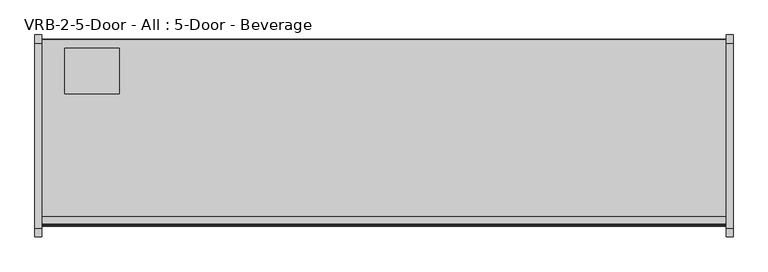
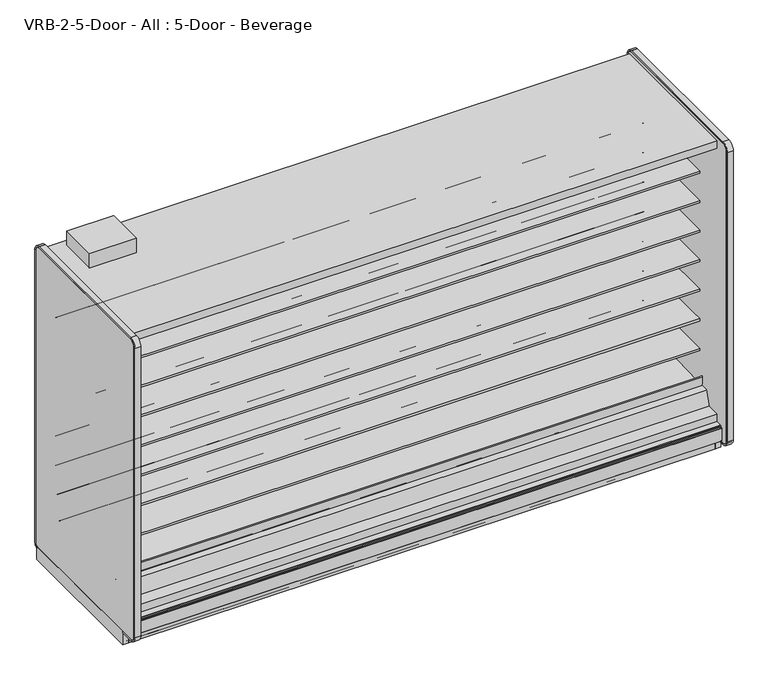
"""IFC4 building model written with IfcOpenShell, lengths in millimetres: proxy geometry, VRB-2-5-Door - All : 5-Door - Beverage."""

from ifc_helpers import new_model, si_unit, point, frame, frame_2d, origin, origin_with_axes, place, context, project, spatial, polyline, circle_curve, trimmed, segment, composite_curve, outline, extrude, source, transform, mapped, element, save
from ifc_brep_helpers import plane_surface, cylinder_surface, revolved_surface, advanced_brep


def vrb_2_5_door_all_5_door_beverage_307021d0(model_context):
    return source(origin(), model_context, "Body", "SolidModel", [
        extrude(outline(polyline([(3810.0, -1294.7870385), (3810.0, -1310.6620385), (0.0, -1310.6620385), (0.0, -1294.7870385), (3810.0, -1294.7870385)])), origin_with_axes(), (0.0, 0.0, 1.0), 104.775),
        extrude(outline(composite_curve([segment(polyline([(-454.6049477, 587.0133455), (-454.6049477, 512.2441036), (-474.1172272, 511.9123192)]), True, "CONTINUOUS"), segment(trimmed(circle_curve(frame_2d((-474.5490633, 537.308648)), 25.4), [point((-474.1172272, 511.9123192))], [point((-490.5264195, 517.5631653))], False, "CARTESIAN"), True, "CONTINUOUS"), segment(polyline([(-490.5264195, 517.5631653), (-508.3784807, 532.0084308)]), True, "CONTINUOUS"), segment(trimmed(circle_curve(frame_2d((-548.3218713, 482.6447241)), 63.5), [point((-508.3784807, 532.0084308))], [point((-540.4239901, 545.651656))], True, "CARTESIAN"), True, "CONTINUOUS"), segment(polyline([(-540.4239901, 545.651656), (-881.8726577, 569.3487934), (-883.3614342, 572.7893455), (-1140.4049477, 572.7893455), (-1140.4049477, 587.0133455), (-454.6049477, 587.0133455)]), True, "CONTINUOUS")], self_intersect=False)), frame((0.0, 0.0, 0.0), z_axis=(1.0, 0.0, 0.0), x_axis=(0.0, 1.0, 0.0)), (0.0, 0.0, 1.0), 3810.0),
        extrude(outline(composite_curve([segment(polyline([(-454.6049477, 790.2133624), (-454.6049477, 715.4441204), (-474.1172272, 715.112336)]), True, "CONTINUOUS"), segment(trimmed(circle_curve(frame_2d((-474.5490633, 740.5086648)), 25.4), [point((-474.1172272, 715.112336))], [point((-490.5264195, 720.7631821))], False, "CARTESIAN"), True, "CONTINUOUS"), segment(polyline([(-490.5264195, 720.7631821), (-508.3784807, 735.2084477)]), True, "CONTINUOUS"), segment(trimmed(circle_curve(frame_2d((-548.3218713, 685.8447409)), 63.5), [point((-508.3784807, 735.2084477))], [point((-540.4239901, 748.8516729))], True, "CARTESIAN"), True, "CONTINUOUS"), segment(polyline([(-540.4239901, 748.8516729), (-881.8726577, 772.5488103), (-883.3614342, 775.9893624), (-1140.4049477, 775.9893624), (-1140.4049477, 790.2133624), (-454.6049477, 790.2133624)]), True, "CONTINUOUS")], self_intersect=False)), frame((0.0, 0.0, 0.0), z_axis=(1.0, 0.0, 0.0), x_axis=(0.0, 1.0, 0.0)), (0.0, 0.0, 1.0), 3810.0),
        extrude(outline(composite_curve([segment(polyline([(-454.6049477, 993.4133793), (-454.6049477, 918.6441373), (-474.1172272, 918.3123529)]), True, "CONTINUOUS"), segment(trimmed(circle_curve(frame_2d((-474.5490633, 943.7086817)), 25.4), [point((-474.1172272, 918.3123529))], [point((-490.5264195, 923.963199))], False, "CARTESIAN"), True, "CONTINUOUS"), segment(polyline([(-490.5264195, 923.963199), (-508.3784807, 938.4084646)]), True, "CONTINUOUS"), segment(trimmed(circle_curve(frame_2d((-548.3218713, 889.0447578)), 63.5), [point((-508.3784807, 938.4084646))], [point((-540.4239901, 952.0516897))], True, "CARTESIAN"), True, "CONTINUOUS"), segment(polyline([(-540.4239901, 952.0516897), (-881.8726577, 975.7488272), (-883.3614342, 979.1893793), (-1140.4049477, 979.1893793), (-1140.4049477, 993.4133793), (-454.6049477, 993.4133793)]), True, "CONTINUOUS")], self_intersect=False)), frame((0.0, 0.0, 0.0), z_axis=(1.0, 0.0, 0.0), x_axis=(0.0, 1.0, 0.0)), (0.0, 0.0, 1.0), 3810.0),
        extrude(outline(composite_curve([segment(polyline([(-454.6049477, 1196.6133961), (-454.6049477, 1121.8441542), (-474.1172272, 1121.5123698)]), True, "CONTINUOUS"), segment(trimmed(circle_curve(frame_2d((-474.5490633, 1146.9086986)), 25.4), [point((-474.1172272, 1121.5123698))], [point((-490.5264195, 1127.1632159))], False, "CARTESIAN"), True, "CONTINUOUS"), segment(polyline([(-490.5264195, 1127.1632159), (-508.3784807, 1141.6084814)]), True, "CONTINUOUS"), segment(trimmed(circle_curve(frame_2d((-548.3218713, 1092.2447747)), 63.5), [point((-508.3784807, 1141.6084814))], [point((-540.4239901, 1155.2517066))], True, "CARTESIAN"), True, "CONTINUOUS"), segment(polyline([(-540.4239901, 1155.2517066), (-881.8726577, 1178.948844), (-883.3614342, 1182.3893961), (-1140.4049477, 1182.3893961), (-1140.4049477, 1196.6133961), (-454.6049477, 1196.6133961)]), True, "CONTINUOUS")], self_intersect=False)), frame((0.0, 0.0, 0.0), z_axis=(1.0, 0.0, 0.0), x_axis=(0.0, 1.0, 0.0)), (0.0, 0.0, 1.0), 3810.0),
        extrude(outline(composite_curve([segment(polyline([(-454.6049477, 1399.813413), (-454.6049477, 1325.044171), (-474.1172272, 1324.7123866)]), True, "CONTINUOUS"), segment(trimmed(circle_curve(frame_2d((-474.5490633, 1350.1087155)), 25.4), [point((-474.1172272, 1324.7123866))], [point((-490.5264195, 1330.3632328))], False, "CARTESIAN"), True, "CONTINUOUS"), segment(polyline([(-490.5264195, 1330.3632328), (-508.3784807, 1344.8084983)]), True, "CONTINUOUS"), segment(trimmed(circle_curve(frame_2d((-548.3218713, 1295.4447915)), 63.5), [point((-508.3784807, 1344.8084983))], [point((-540.4239901, 1358.4517235))], True, "CARTESIAN"), True, "CONTINUOUS"), segment(polyline([(-540.4239901, 1358.4517235), (-881.8726577, 1382.1488609), (-883.3614342, 1385.589413), (-1140.4049477, 1385.589413), (-1140.4049477, 1399.813413), (-454.6049477, 1399.813413)]), True, "CONTINUOUS")], self_intersect=False)), frame((0.0, 0.0, 0.0), z_axis=(1.0, 0.0, 0.0), x_axis=(0.0, 1.0, 0.0)), (0.0, 0.0, 1.0), 3810.0),
        extrude(outline(composite_curve([segment(polyline([(-454.6049477, 1603.0134299), (-454.6049477, 1528.2441879), (-474.1172272, 1527.9124035)]), True, "CONTINUOUS"), segment(trimmed(circle_curve(frame_2d((-474.5490633, 1553.3087323)), 25.4), [point((-474.1172272, 1527.9124035))], [point((-490.5264195, 1533.5632496))], False, "CARTESIAN"), True, "CONTINUOUS"), segment(polyline([(-490.5264195, 1533.5632496), (-508.3784807, 1548.0085152)]), True, "CONTINUOUS"), segment(trimmed(circle_curve(frame_2d((-548.3218713, 1498.6448084)), 63.5), [point((-508.3784807, 1548.0085152))], [point((-540.4239901, 1561.6517403))], True, "CARTESIAN"), True, "CONTINUOUS"), segment(polyline([(-540.4239901, 1561.6517403), (-881.8726577, 1585.3488778), (-883.3614342, 1588.7894299), (-1140.4049477, 1588.7894299), (-1140.4049477, 1603.0134299), (-454.6049477, 1603.0134299)]), True, "CONTINUOUS")], self_intersect=False)), frame((0.0, 0.0, 0.0), z_axis=(1.0, 0.0, 0.0), x_axis=(0.0, 1.0, 0.0)), (0.0, 0.0, 1.0), 3810.0),
        advanced_brep(
        [(3810.0, -348.8529385, 2.3876), (3810.0, -348.8529385, 104.775), (3810.0, -1148.1782385, 104.775), (3810.0, -1148.1782385, 24.892), (3810.0, -1148.1782385, 2.3876), (3810.0, -1145.7906385, 0.0), (3810.0, -1106.3866533, 0.0), (3810.0, -1106.3866533, 26.6446), (3810.0, -1091.8070533, 26.6446), (3810.0, -1085.4570533, 32.9946), (3810.0, -1085.4570533, 49.4411), (3810.0, -962.5804385, 49.4411), (3810.0, -941.6254385, 49.4411), (3810.0, -692.7054385, 49.4411), (3810.0, -671.7504385, 49.4411), (3810.0, -549.8304385, 49.4411), (3810.0, -528.8754385, 49.4411), (3810.0, -405.9988237, 49.4411), (3810.0, -405.9988237, 32.9946), (3810.0, -399.6488237, 26.6446), (3810.0, -385.8820237, 26.6446), (3810.0, -385.8820237, 0.0), (3810.0, -351.2405385, 0.0), (0.0, -348.8529385, 2.3876), (0.0, -351.2405385, 0.0), (0.0, -385.8820237, 0.0), (0.0, -385.8820237, 26.6446), (0.0, -399.6488237, 26.6446), (0.0, -405.9988237, 32.9946), (0.0, -405.9988237, 49.4411), (0.0, -528.8754385, 49.4411), (0.0, -549.8304385, 49.4581125), (0.0, -671.7504385, 49.4411), (0.0, -692.7054385, 49.4581125), (0.0, -941.6254385, 49.4411), (0.0, -962.5804385, 49.4581125), (0.0, -1085.4570533, 49.4411), (0.0, -1085.4570533, 32.9946), (0.0, -1091.8070533, 26.6446), (0.0, -1106.3866533, 26.6446), (0.0, -1106.3866533, 0.0), (0.0, -1145.7906385, 0.0), (0.0, -1148.1782385, 2.3876), (0.0, -1148.1782385, 24.892), (0.0, -1148.1782385, 104.775), (0.0, -348.8529385, 104.775)],
        [
            (0, 1),
            (1, 2),
            (2, 3),
            (3, 4),
            (4, 5, circle_curve(frame((3810.0, -1145.7906385, 2.3876), z_axis=(1.0, 0.0, 0.0), x_axis=(0.0, 1.0, 0.0)), 2.3876)),
            (5, 6),
            (6, 7),
            (7, 8),
            (8, 9, circle_curve(frame((3810.0, -1091.8070533, 32.9946), z_axis=(1.0, 0.0, 0.0), x_axis=(0.0, 1.0, 0.0)), 6.35)),
            (9, 10),
            (10, 11),
            (11, 12),
            (12, 13),
            (13, 14),
            (14, 15),
            (15, 16),
            (16, 17),
            (17, 18),
            (18, 19, circle_curve(frame((3810.0, -399.6488237, 32.9946), z_axis=(1.0, 0.0, 0.0), x_axis=(0.0, 1.0, 0.0)), 6.35)),
            (19, 20),
            (20, 21),
            (21, 22),
            (22, 0, circle_curve(frame((3810.0, -351.2405385, 2.3876), z_axis=(1.0, 0.0, 0.0), x_axis=(0.0, 1.0, 0.0)), 2.3876)),
            (23, 24, circle_curve(frame((0.0, -351.2405385, 2.3876), z_axis=(-1.0, 0.0, 0.0), x_axis=(0.0, 1.0, 0.0)), 2.3876)),
            (24, 25),
            (25, 26),
            (26, 27),
            (27, 28, circle_curve(frame((0.0, -399.6488237, 32.9946), z_axis=(-1.0, 0.0, 0.0), x_axis=(0.0, 1.0, 0.0)), 6.35)),
            (28, 29),
            (29, 30),
            (30, 31),
            (31, 32),
            (32, 33),
            (33, 34),
            (34, 35),
            (35, 36),
            (36, 37),
            (37, 38, circle_curve(frame((0.0, -1091.8070533, 32.9946), z_axis=(-1.0, 0.0, 0.0), x_axis=(0.0, 1.0, 0.0)), 6.35)),
            (38, 39),
            (39, 40),
            (40, 41),
            (41, 42, circle_curve(frame((0.0, -1145.7906385, 2.3876), z_axis=(-1.0, 0.0, 0.0), x_axis=(0.0, 1.0, 0.0)), 2.3876)),
            (42, 43),
            (43, 44),
            (44, 45),
            (45, 23),
            (0, 23),
            (45, 1),
            (44, 2),
            (43, 3),
            (42, 4),
            (41, 5),
            (40, 6),
            (39, 7),
            (38, 8),
            (37, 9),
            (36, 10),
            (35, 11),
            (34, 12),
            (33, 13),
            (32, 14),
            (31, 15),
            (30, 16),
            (29, 17),
            (28, 18),
            (27, 19),
            (26, 20),
            (25, 21),
            (24, 22),
        ],
        [
            plane_surface(frame((3810.0, -348.8529385, 104.775), z_axis=(1.0, 0.0, 0.0), x_axis=(0.0, 0.0, 1.0))),
            plane_surface(frame((0.0, -348.8529385, 104.775), z_axis=(-1.0, 0.0, 0.0), x_axis=(0.0, 0.0, -1.0))),
            plane_surface(frame((3810.0, -348.8529385, 2.3876), z_axis=(0.0, 1.0, 0.0), x_axis=(-1.0, 0.0, 0.0))),
            plane_surface(frame((3810.0, -348.8529385, 104.775), z_axis=(0.0, 0.0, 1.0), x_axis=(-1.0, 0.0, 0.0))),
            plane_surface(frame((3810.0, -1148.1782385, 104.775), z_axis=(0.0, -1.0, 0.0), x_axis=(-1.0, 0.0, 0.0))),
            plane_surface(frame((3810.0, -1148.1782385, 24.892), z_axis=(0.0, -1.0, 0.0), x_axis=(-1.0, 0.0, 0.0))),
            cylinder_surface(frame((0.0, -1145.7906385, 2.3876), z_axis=(1.0, 0.0, 0.0), x_axis=(0.0, 1.0, 0.0)), 2.3876),
            plane_surface(frame((3810.0, -1145.7906385, 0.0), z_axis=(0.0, 0.0, -1.0), x_axis=(-1.0, 0.0, 0.0))),
            plane_surface(frame((3810.0, -1106.3866533, 0.0), z_axis=(0.0, 1.0, 0.0), x_axis=(-1.0, 0.0, 0.0))),
            plane_surface(frame((3810.0, -1106.3866533, 26.6446), z_axis=(0.0, 0.0, -1.0), x_axis=(-1.0, 0.0, 0.0))),
            cylinder_surface(frame((0.0, -1091.8070533, 32.9946), z_axis=(1.0, 0.0, 0.0), x_axis=(0.0, 1.0, 0.0)), 6.35),
            plane_surface(frame((3810.0, -1085.4570533, 32.9946), z_axis=(0.0, 1.0, 0.0), x_axis=(-1.0, 0.0, 0.0))),
            plane_surface(frame((3810.0, -1085.4570533, 49.4411), z_axis=(0.0, 0.0, -1.0), x_axis=(-1.0, 0.0, 0.0))),
            plane_surface(frame((3810.0, -962.5804385, 49.4581125), z_axis=(0.0, -0.0008118606294216209, -0.9999996704411049), x_axis=(-1.0, 0.0, 0.0))),
            plane_surface(frame((3810.0, -941.6254385, 49.4411), z_axis=(0.0, 0.0, -1.0), x_axis=(-1.0, 0.0, 0.0))),
            plane_surface(frame((3810.0, -692.7054385, 49.4581125), z_axis=(0.0, -0.0008118606294217887, -0.9999996704411049), x_axis=(-1.0, 0.0, 0.0))),
            plane_surface(frame((3810.0, -671.7504385, 49.4411), z_axis=(0.0, 0.0, -1.0), x_axis=(-1.0, 0.0, 0.0))),
            plane_surface(frame((3810.0, -549.8304385, 49.4581125), z_axis=(0.0, -0.0008118606294217887, -0.9999996704411049), x_axis=(-1.0, 0.0, 0.0))),
            plane_surface(frame((3810.0, -528.8754385, 49.4411), z_axis=(0.0, 0.0, -1.0), x_axis=(-1.0, 0.0, 0.0))),
            plane_surface(frame((3810.0, -405.9988237, 49.4411), z_axis=(0.0, -1.0, 0.0), x_axis=(-1.0, 0.0, 0.0))),
            cylinder_surface(frame((0.0, -399.6488237, 32.9946), z_axis=(1.0, 0.0, 0.0), x_axis=(0.0, 1.0, 0.0)), 6.35),
            plane_surface(frame((3810.0, -399.6488237, 26.6446), z_axis=(0.0, 0.0, -1.0), x_axis=(-1.0, 0.0, 0.0))),
            plane_surface(frame((3810.0, -385.8820237, 26.6446), z_axis=(0.0, -1.0, 0.0), x_axis=(-1.0, 0.0, 0.0))),
            plane_surface(frame((3810.0, -385.8820237, 0.0), z_axis=(0.0, 0.0, -1.0), x_axis=(-1.0, 0.0, 0.0))),
            cylinder_surface(frame((0.0, -351.2405385, 2.3876), z_axis=(1.0, 0.0, 0.0), x_axis=(0.0, 1.0, 0.0)), 2.3876),
        ],
        [
            (0, [[1, 2, 3, 4, 5, 6, 7, 8, 9, 10, 11, 12, 13, 14, 15, 16, 17, 18, 19, 20, 21, 22, 23]]),
            (1, [[24, 25, 26, 27, 28, 29, 30, 31, 32, 33, 34, 35, 36, 37, 38, 39, 40, 41, 42, 43, 44, 45, 46]]),
            (2, [[-1, 47, -46, 48]]),
            (3, [[-2, -48, -45, 49]]),
            (4, [[-3, -49, -44, 50]]),
            (5, [[-4, -50, -43, 51]]),
            (6, [[-5, -51, -42, 52]]),
            (7, [[-6, -52, -41, 53]]),
            (8, [[-7, -53, -40, 54]]),
            (9, [[-8, -54, -39, 55]]),
            (10, [[-9, -55, -38, 56]]),
            (11, [[-10, -56, -37, 57]]),
            (12, [[-11, -57, -36, 58]]),
            (13, [[-12, -58, -35, 59]]),
            (14, [[-13, -59, -34, 60]]),
            (15, [[-14, -60, -33, 61]]),
            (16, [[-15, -61, -32, 62]]),
            (17, [[-16, -62, -31, 63]]),
            (18, [[-17, -63, -30, 64]]),
            (19, [[-18, -64, -29, 65]]),
            (20, [[-19, -65, -28, 66]]),
            (21, [[-20, -66, -27, 67]]),
            (22, [[-21, -67, -26, 68]]),
            (23, [[-22, -68, -25, 69]]),
            (24, [[-23, -69, -24, -47]]),
        ],
    ),
        extrude(outline(composite_curve([segment(polyline([(-454.6049477, 1806.2134975), (-454.6049477, 1731.4442556), (-474.1172272, 1731.1124712)]), True, "CONTINUOUS"), segment(trimmed(circle_curve(frame_2d((-474.5490633, 1756.5088)), 25.4), [point((-474.1172272, 1731.1124712))], [point((-490.5264195, 1736.7633173))], False, "CARTESIAN"), True, "CONTINUOUS"), segment(polyline([(-490.5264195, 1736.7633173), (-508.3784807, 1751.2085828)]), True, "CONTINUOUS"), segment(trimmed(circle_curve(frame_2d((-548.3218713, 1701.8448761)), 63.5), [point((-508.3784807, 1751.2085828))], [point((-540.4239901, 1764.851808))], True, "CARTESIAN"), True, "CONTINUOUS"), segment(polyline([(-540.4239901, 1764.851808), (-881.8726577, 1788.5489454), (-883.3614342, 1791.9894975), (-1140.4049477, 1791.9894975), (-1140.4049477, 1806.2134975), (-454.6049477, 1806.2134975)]), True, "CONTINUOUS")], self_intersect=False)), frame((0.0, 0.0, 0.0), z_axis=(1.0, 0.0, 0.0), x_axis=(0.0, 1.0, 0.0)), (0.0, 0.0, 1.0), 3810.0),
        advanced_brep(
        [(3810.0, -348.8529385, 104.775), (3810.0, -348.8529385, 2130.425), (3810.0, -1332.4576552, 2130.425), (3810.0, -1332.4576552, 2080.6916932), (3810.0, -403.803446, 2080.6916932), (3810.0, -403.803446, 192.3002762), (3810.0, -1241.5918606, 158.2443144), (3810.0, -1332.4576552, 168.8736205), (3810.0, -1332.4576552, 201.2766923), (3810.0, -1373.5961083, 201.2766923), (3810.0, -1376.2595244, 197.8095897), (3810.0, -1376.2595244, 188.9614574), (3810.0, -1385.0649885, 188.9614574), (3810.0, -1386.6397885, 187.3866574), (3810.0, -1386.6397885, 185.7356574), (3810.0, -1387.5033885, 185.7356574), (3810.0, -1387.5033885, 101.7483517), (3810.0, -1384.3560744, 101.0506089), (3810.0, -1382.6193623, 104.775), (0.0, -348.8529385, 104.775), (0.0, -1382.6193623, 104.775), (0.0, -1384.3560744, 101.0506089), (0.0, -1387.5033885, 101.7483517), (0.0, -1387.5033885, 185.7356574), (0.0, -1386.6397885, 185.7356574), (0.0, -1386.6397885, 187.3866574), (0.0, -1385.0649885, 188.9614574), (0.0, -1376.2595244, 188.9614574), (0.0, -1376.2595244, 197.8095897), (0.0, -1373.5961083, 201.2766923), (0.0, -1332.4576552, 201.2766923), (0.0, -1332.4576552, 168.8736205), (0.0, -1241.5918606, 158.2443144), (0.0, -403.803446, 192.3002762), (0.0, -403.803446, 2080.6916932), (0.0, -1332.4576552, 2080.6916932), (0.0, -1332.4576552, 2130.425), (0.0, -348.8529385, 2130.425), (3708.4, -348.8529385, 184.15), (3708.4, -348.8529385, 285.75), (3708.4, -399.3710689, 184.15), (3708.4, -399.3710689, 285.75)],
        [
            (0, 1),
            (1, 2),
            (2, 3),
            (3, 4),
            (4, 5),
            (5, 6),
            (6, 7),
            (7, 8),
            (8, 9),
            (9, 10, circle_curve(frame((3810.0, -1372.1757389, 197.4290047), z_axis=(1.0, 0.0, 0.0), x_axis=(0.0, 1.0, 0.0)), 4.1014814)),
            (10, 11),
            (11, 12),
            (12, 13, circle_curve(frame((3810.0, -1385.0649885, 187.3866574), z_axis=(1.0, 0.0, 0.0), x_axis=(0.0, 1.0, 0.0)), 1.5748)),
            (13, 14),
            (14, 15),
            (15, 16),
            (16, 17, circle_curve(frame((3810.0, -1385.8523885, 101.7483517), z_axis=(1.0, 0.0, 0.0), x_axis=(0.0, 1.0, 0.0)), 1.651)),
            (17, 18),
            (18, 0),
            (19, 20),
            (20, 21),
            (21, 22, circle_curve(frame((0.0, -1385.8523885, 101.7483517), z_axis=(-1.0, 0.0, 0.0), x_axis=(0.0, 1.0, 0.0)), 1.651)),
            (22, 23),
            (23, 24),
            (24, 25),
            (25, 26, circle_curve(frame((0.0, -1385.0649885, 187.3866574), z_axis=(-1.0, 0.0, 0.0), x_axis=(0.0, 1.0, 0.0)), 1.5748)),
            (26, 27),
            (27, 28),
            (28, 29, circle_curve(frame((0.0, -1372.1757389, 197.4290047), z_axis=(-1.0, 0.0, 0.0), x_axis=(0.0, 1.0, 0.0)), 4.1014814)),
            (29, 30),
            (30, 31),
            (31, 32),
            (32, 33),
            (33, 34),
            (34, 35),
            (35, 36),
            (36, 37),
            (37, 19),
            (0, 19),
            (37, 1),
            (38, 39, circle_curve(frame((3708.4, -348.8529385, 234.95), z_axis=(0.0, -1.0, 0.0), x_axis=(0.0, 0.0, 1.0)), 50.8)),
            (39, 38, circle_curve(frame((3708.4, -348.8529385, 234.95), z_axis=(0.0, -1.0, 0.0), x_axis=(0.0, 0.0, 1.0)), 50.8)),
            (18, 20),
            (36, 2),
            (35, 3),
            (34, 4),
            (33, 5),
            (32, 6),
            (31, 7),
            (30, 8),
            (29, 9),
            (28, 10),
            (27, 11),
            (26, 12),
            (25, 13),
            (24, 14),
            (23, 15),
            (22, 16),
            (21, 17),
            (40, 41, circle_curve(frame((3708.4, -399.3710689, 234.95), z_axis=(0.0, 1.0, 0.0), x_axis=(0.0, 0.0, 1.0)), 50.8)),
            (41, 40, circle_curve(frame((3708.4, -399.3710689, 234.95), z_axis=(0.0, 1.0, 0.0), x_axis=(0.0, 0.0, 1.0)), 50.8)),
            (41, 39),
            (38, 40),
        ],
        [
            plane_surface(frame((3810.0, -348.8529385, 2130.425), z_axis=(1.0, 0.0, 0.0), x_axis=(0.0, 0.0, 1.0))),
            plane_surface(frame((0.0, -348.8529385, 2130.425), z_axis=(-1.0, 0.0, 0.0), x_axis=(0.0, 0.0, -1.0))),
            plane_surface(frame((3810.0, -348.8529385, 104.775), z_axis=(0.0, 1.0, 0.0), x_axis=(-1.0, 0.0, 0.0))),
            plane_surface(frame((3810.0, -1382.6193623, 104.775), z_axis=(0.0, 0.0, -1.0), x_axis=(-1.0, 0.0, 0.0))),
            plane_surface(frame((3810.0, -348.8529385, 2130.425), z_axis=(0.0, 0.0, 1.0), x_axis=(-1.0, 0.0, 0.0))),
            plane_surface(frame((3810.0, -1332.4576552, 2130.425), z_axis=(0.0, -1.0, 0.0), x_axis=(-1.0, 0.0, 0.0))),
            plane_surface(frame((3810.0, -1332.4576552, 2080.6916932), z_axis=(0.0, 0.0, -1.0), x_axis=(-1.0, 0.0, 0.0))),
            plane_surface(frame((3810.0, -403.803446, 2080.6916932), z_axis=(0.0, -1.0, 0.0), x_axis=(-1.0, 0.0, 0.0))),
            plane_surface(frame((3810.0, -403.803446, 192.3002762), z_axis=(0.0, -0.04061629258568473, 0.9991748179255691), x_axis=(-1.0, 0.0, 0.0))),
            plane_surface(frame((3810.0, -1241.5918606, 158.2443144), z_axis=(0.0, 0.11618584341211871, 0.9932274914593407), x_axis=(-1.0, 0.0, 0.0))),
            plane_surface(frame((3810.0, -1332.4576552, 168.8736205), z_axis=(0.0, 1.0, 0.0), x_axis=(-1.0, 0.0, 0.0))),
            plane_surface(frame((3810.0, -1332.4576552, 201.2766923), z_axis=(0.0, 0.0, 1.0), x_axis=(-1.0, 0.0, 0.0))),
            cylinder_surface(frame((0.0, -1372.1757389, 197.4290047), z_axis=(1.0, 0.0, 0.0), x_axis=(0.0, 1.0, 0.0)), 4.1014814),
            plane_surface(frame((3810.0, -1376.2595244, 197.8095897), z_axis=(0.0, -1.0, 0.0), x_axis=(-1.0, 0.0, 0.0))),
            plane_surface(frame((3810.0, -1376.2595244, 188.9614574), z_axis=(0.0, 0.0, 1.0), x_axis=(-1.0, 0.0, 0.0))),
            cylinder_surface(frame((0.0, -1385.0649885, 187.3866574), z_axis=(1.0, 0.0, 0.0), x_axis=(0.0, 1.0, 0.0)), 1.5748),
            plane_surface(frame((3810.0, -1386.6397885, 187.3866574), z_axis=(0.0, -1.0, 0.0), x_axis=(-1.0, 0.0, 0.0))),
            plane_surface(frame((3810.0, -1386.6397885, 185.7356574), z_axis=(0.0, 0.0, 1.0), x_axis=(-1.0, 0.0, 0.0))),
            plane_surface(frame((3810.0, -1387.5033885, 185.7356574), z_axis=(0.0, -1.0, 0.0), x_axis=(-1.0, 0.0, 0.0))),
            cylinder_surface(frame((0.0, -1385.8523885, 101.7483517), z_axis=(1.0, 0.0, 0.0), x_axis=(0.0, 1.0, 0.0)), 1.651),
            plane_surface(frame((3810.0, -1384.3560744, 101.0506089), z_axis=(0.0, 0.9063077870347213, -0.42261826174483563), x_axis=(-1.0, 0.0, 0.0))),
            plane_surface(frame((3708.4, -399.3710689, 285.75), z_axis=(0.0, 1.0, 0.0), x_axis=(-1.0, 0.0, 0.0))),
            revolved_surface(polyline([(3708.4, -399.3710689, 285.75), (3708.4, -348.8529385, 285.75)]), (3708.4, -348.8529385, 234.95), (0.0, -1.0, 0.0)),
        ],
        [
            (0, [[1, 2, 3, 4, 5, 6, 7, 8, 9, 10, 11, 12, 13, 14, 15, 16, 17, 18, 19]]),
            (1, [[20, 21, 22, 23, 24, 25, 26, 27, 28, 29, 30, 31, 32, 33, 34, 35, 36, 37, 38]]),
            (2, [[-1, 39, -38, 40], [41, 42]]),
            (3, [[-19, 43, -20, -39]]),
            (4, [[-2, -40, -37, 44]]),
            (5, [[-3, -44, -36, 45]]),
            (6, [[-4, -45, -35, 46]]),
            (7, [[-5, -46, -34, 47]]),
            (8, [[-6, -47, -33, 48]]),
            (9, [[-7, -48, -32, 49]]),
            (10, [[-8, -49, -31, 50]]),
            (11, [[-9, -50, -30, 51]]),
            (12, [[-10, -51, -29, 52]]),
            (13, [[-11, -52, -28, 53]]),
            (14, [[-12, -53, -27, 54]]),
            (15, [[-13, -54, -26, 55]]),
            (16, [[-14, -55, -25, 56]]),
            (17, [[-15, -56, -24, 57]]),
            (18, [[-16, -57, -23, 58]]),
            (19, [[-17, -58, -22, 59]]),
            (20, [[-18, -59, -21, -43]]),
            (21, [[60, 61]]),
            (22, [[-61, 62, -41, 63]]),
            (22, [[-60, -63, -42, -62]]),
        ],
    ),
        extrude(outline(composite_curve([segment(polyline([(-538.5117544, 357.6712667), (-1154.4031001, 336.1426369)]), True, "CONTINUOUS"), segment(trimmed(circle_curve(frame_2d((-1154.7855355, 347.0833549)), 10.9474), [point((-1154.4031001, 336.1426369))], [point((-1165.7262535, 346.7009195))], False, "CARTESIAN"), True, "CONTINUOUS"), segment(polyline([(-1165.7262535, 346.7009195), (-1167.8700214, 408.029863)]), True, "CONTINUOUS"), segment(trimmed(circle_curve(frame_2d((-1163.9861934, 408.1656231)), 3.8862), [point((-1167.8700214, 408.029863))], [point((-1160.1023655, 408.3013832))], False, "CARTESIAN"), True, "CONTINUOUS"), segment(polyline([(-1160.1023655, 408.3013832), (-1157.9585975, 346.9724398)]), True, "CONTINUOUS"), segment(trimmed(circle_curve(frame_2d((-1154.7855355, 347.0833549)), 3.175), [point((-1157.9585975, 346.9724398))], [point((-1154.6746203, 343.9102928))], True, "CARTESIAN"), True, "CONTINUOUS"), segment(polyline([(-1154.6746203, 343.9102928), (-531.7333421, 365.6853547)]), True, "CONTINUOUS"), segment(trimmed(circle_curve(frame_2d((-531.5939074, 361.7960469)), 3.8918064), [point((-531.7333421, 365.6853547))], [point((-531.1633305, 357.9281326))], False, "CARTESIAN"), True, "CONTINUOUS"), segment(polyline([(-531.1633305, 357.9281326), (-538.5117544, 357.6712667)]), True, "CONTINUOUS")], self_intersect=False)), frame((0.0, 0.0, 0.0), z_axis=(1.0, 0.0, 0.0), x_axis=(0.0, 1.0, 0.0)), (0.0, 0.0, 1.0), 3810.0),
        extrude(outline(polyline([(-403.803446, 191.9712577), (-1241.5918606, 158.2443144), (-1332.4576552, 168.8736205), (-1332.4576552, 252.8737805), (-1245.6201539, 252.8737805), (-1214.4845686, 346.8534577), (-1168.9799477, 348.4440826), (-1168.9799477, 335.7440826), (-526.1387503, 358.2147509), (-526.1387503, 370.9147509), (-467.1371555, 372.9771658), (-467.1371555, 377.4368561), (-454.6049477, 377.4368561), (-454.6049477, 268.1711844), (-403.803446, 268.1711844), (-403.803446, 191.9712577)])), frame((0.0, 0.0, 0.0), z_axis=(1.0, 0.0, 0.0), x_axis=(0.0, 1.0, 0.0)), (0.0, 0.0, 1.0), 3810.0),
        extrude(outline(polyline([(-403.803446, 268.1711844), (-454.6049477, 268.1711844), (-454.6049477, 2053.8368561), (-1209.6263466, 2053.8368561), (-1283.9191918, 2080.6916932), (-403.803446, 2080.6916932), (-403.803446, 268.1711844)])), frame((0.0, 0.0, 0.0), z_axis=(1.0, 0.0, 0.0), x_axis=(0.0, 1.0, 0.0)), (0.0, 0.0, 1.0), 3810.0),
        extrude(outline(composite_curve([segment(trimmed(circle_curve(frame_2d((1905.0, -1072.7529385)), 38.1), [point((1866.9, -1072.7529385))], [point((1943.1, -1072.7529385))], False, "CARTESIAN"), True, "CONTINUOUS"), segment(trimmed(circle_curve(frame_2d((1905.0, -1072.7529385)), 38.1), [point((1943.1, -1072.7529385))], [point((1866.9, -1072.7529385))], False, "CARTESIAN"), True, "CONTINUOUS")], self_intersect=False)), frame((0.0, 0.0, -5.8513653), z_axis=(0.0, 0.0, 1.0), x_axis=(1.0, 0.0, 0.0)), (0.0, 0.0, 1.0), 110.6263653),
        extrude(outline(composite_curve([segment(trimmed(circle_curve(frame_2d((3563.2604036, -1069.5779385)), 9.525), [point((3553.7354036, -1069.5779385))], [point((3572.7854036, -1069.5779385))], False, "CARTESIAN"), True, "CONTINUOUS"), segment(trimmed(circle_curve(frame_2d((3563.2604036, -1069.5779385)), 9.525), [point((3572.7854036, -1069.5779385))], [point((3553.7354036, -1069.5779385))], False, "CARTESIAN"), True, "CONTINUOUS")], self_intersect=False)), frame((0.0, 0.0, -5.8513653), z_axis=(0.0, 0.0, 1.0), x_axis=(1.0, 0.0, 0.0)), (0.0, 0.0, 1.0), 110.6263653),
        extrude(outline(composite_curve([segment(trimmed(circle_curve(frame_2d((3608.1868135, -1069.5779385)), 12.7), [point((3595.4868135, -1069.5779385))], [point((3620.8868135, -1069.5779385))], False, "CARTESIAN"), True, "CONTINUOUS"), segment(trimmed(circle_curve(frame_2d((3608.1868135, -1069.5779385)), 12.7), [point((3620.8868135, -1069.5779385))], [point((3595.4868135, -1069.5779385))], False, "CARTESIAN"), True, "CONTINUOUS")], self_intersect=False)), frame((0.0, 0.0, -5.8513653), z_axis=(0.0, 0.0, 1.0), x_axis=(1.0, 0.0, 0.0)), (0.0, 0.0, 1.0), 110.6263653),
        extrude(outline(polyline([(127.0, -650.8843385), (127.0, -396.8843385), (431.8, -396.8843385), (431.8, -650.8843385), (127.0, -650.8843385)])), frame((0.0, 0.0, 2130.425), z_axis=(0.0, 0.0, 1.0), x_axis=(1.0, 0.0, 0.0)), (0.0, 0.0, 1.0), 101.6),
        extrude(outline(polyline([(3810.0, -1310.6620385), (3810.0, -344.7571249), (3848.1, -344.7571249), (3848.1, -1310.6620385), (3810.0, -1310.6620385)])), origin_with_axes(), (0.0, 0.0, 1.0), 92.075),
        extrude(outline(composite_curve([segment(trimmed(circle_curve(frame_2d((-1399.7779385, 130.2020486)), 38.1), [point((-1437.8779385, 130.2020486))], [point((-1399.7779385, 92.1020486))], True, "CARTESIAN"), True, "CONTINUOUS"), segment(polyline([(-1399.7779385, 92.1020486), (-1310.6620385, 92.1020486), (-1310.6620385, 82.5770486), (-1399.7779385, 82.5770486)]), True, "CONTINUOUS"), segment(trimmed(circle_curve(frame_2d((-1399.7779385, 130.2020486)), 47.625), [point((-1399.7779385, 82.5770486))], [point((-1447.4029385, 130.2020486))], False, "CARTESIAN"), True, "CONTINUOUS"), segment(polyline([(-1447.4029385, 130.2020486), (-1447.4029385, 2117.725)]), True, "CONTINUOUS"), segment(trimmed(circle_curve(frame_2d((-1399.7779385, 2117.725)), 47.625), [point((-1447.4029385, 2117.725))], [point((-1399.7779385, 2165.35))], False, "CARTESIAN"), True, "CONTINUOUS"), segment(polyline([(-1399.7779385, 2165.35), (-370.7667333, 2165.35)]), True, "CONTINUOUS"), segment(trimmed(circle_curve(frame_2d((-370.7667333, 2117.725)), 47.625), [point((-370.7667333, 2165.35))], [point((-323.1417333, 2117.725))], False, "CARTESIAN"), True, "CONTINUOUS"), segment(polyline([(-323.1417333, 2117.725), (-323.1417333, 104.8020486)]), True, "CONTINUOUS"), segment(trimmed(circle_curve(frame_2d((-345.3667333, 104.8020486)), 22.225), [point((-323.1417333, 104.8020486))], [point((-345.3667333, 82.5770486))], False, "CARTESIAN"), True, "CONTINUOUS"), segment(polyline([(-345.3667333, 82.5770486), (-348.8529385, 82.5770486), (-348.8529385, 92.1020486), (-345.3667333, 92.1020486)]), True, "CONTINUOUS"), segment(trimmed(circle_curve(frame_2d((-345.3667333, 104.8020486)), 12.7), [point((-345.3667333, 92.1020486))], [point((-332.6667333, 104.8020486))], True, "CARTESIAN"), True, "CONTINUOUS"), segment(polyline([(-332.6667333, 104.8020486), (-332.6667333, 2117.725)]), True, "CONTINUOUS"), segment(trimmed(circle_curve(frame_2d((-370.7667333, 2117.725)), 38.1), [point((-332.6667333, 2117.725))], [point((-370.7667333, 2155.825))], True, "CARTESIAN"), True, "CONTINUOUS"), segment(polyline([(-370.7667333, 2155.825), (-1399.7779385, 2155.825)]), True, "CONTINUOUS"), segment(trimmed(circle_curve(frame_2d((-1399.7779385, 2117.725)), 38.1), [point((-1399.7779385, 2155.825))], [point((-1437.8779385, 2117.725))], True, "CARTESIAN"), True, "CONTINUOUS"), segment(polyline([(-1437.8779385, 2117.725), (-1437.8779385, 130.2020486)]), True, "CONTINUOUS")], self_intersect=False)), frame((3810.0, 0.0, 0.0), z_axis=(1.0, 0.0, 0.0), x_axis=(0.0, 1.0, 0.0)), (0.0, 0.0, 1.0), 38.1),
        extrude(outline(composite_curve([segment(trimmed(circle_curve(frame_2d((-1399.7779385, 130.2020486)), 38.1), [point((-1437.8779385, 130.2020486))], [point((-1399.7779385, 92.1020486))], True, "CARTESIAN"), True, "CONTINUOUS"), segment(polyline([(-1399.7779385, 92.1020486), (-1310.6620385, 92.1020486), (-1310.6620385, 82.5770486), (-1399.7779385, 82.5770486)]), True, "CONTINUOUS"), segment(trimmed(circle_curve(frame_2d((-1399.7779385, 130.2020486)), 47.625), [point((-1399.7779385, 82.5770486))], [point((-1447.4029385, 130.2020486))], False, "CARTESIAN"), True, "CONTINUOUS"), segment(polyline([(-1447.4029385, 130.2020486), (-1447.4029385, 2117.725)]), True, "CONTINUOUS"), segment(trimmed(circle_curve(frame_2d((-1399.7779385, 2117.725)), 47.625), [point((-1447.4029385, 2117.725))], [point((-1399.7779385, 2165.35))], False, "CARTESIAN"), True, "CONTINUOUS"), segment(polyline([(-1399.7779385, 2165.35), (-370.7667333, 2165.35)]), True, "CONTINUOUS"), segment(trimmed(circle_curve(frame_2d((-370.7667333, 2117.725)), 47.625), [point((-370.7667333, 2165.35))], [point((-323.1417333, 2117.725))], False, "CARTESIAN"), True, "CONTINUOUS"), segment(polyline([(-323.1417333, 2117.725), (-323.1417333, 104.8020486)]), True, "CONTINUOUS"), segment(trimmed(circle_curve(frame_2d((-345.3667333, 104.8020486)), 22.225), [point((-323.1417333, 104.8020486))], [point((-345.3667333, 82.5770486))], False, "CARTESIAN"), True, "CONTINUOUS"), segment(polyline([(-345.3667333, 82.5770486), (-348.8529385, 82.5770486), (-348.8529385, 92.1020486), (-345.3667333, 92.1020486)]), True, "CONTINUOUS"), segment(trimmed(circle_curve(frame_2d((-345.3667333, 104.8020486)), 12.7), [point((-345.3667333, 92.1020486))], [point((-332.6667333, 104.8020486))], True, "CARTESIAN"), True, "CONTINUOUS"), segment(polyline([(-332.6667333, 104.8020486), (-332.6667333, 2117.725)]), True, "CONTINUOUS"), segment(trimmed(circle_curve(frame_2d((-370.7667333, 2117.725)), 38.1), [point((-332.6667333, 2117.725))], [point((-370.7667333, 2155.825))], True, "CARTESIAN"), True, "CONTINUOUS"), segment(polyline([(-370.7667333, 2155.825), (-1399.7779385, 2155.825)]), True, "CONTINUOUS"), segment(trimmed(circle_curve(frame_2d((-1399.7779385, 2117.725)), 38.1), [point((-1399.7779385, 2155.825))], [point((-1437.8779385, 2117.725))], True, "CARTESIAN"), True, "CONTINUOUS"), segment(polyline([(-1437.8779385, 2117.725), (-1437.8779385, 130.2020486)]), True, "CONTINUOUS")], self_intersect=False)), frame((-38.1, 0.0, 0.0), z_axis=(1.0, 0.0, 0.0), x_axis=(0.0, 1.0, 0.0)), (0.0, 0.0, 1.0), 38.1),
        extrude(outline(polyline([(0.0, -344.7571249), (0.0, -1310.6620385), (-38.1, -1310.6620385), (-38.1, -344.7571249), (0.0, -344.7571249)])), origin_with_axes(), (0.0, 0.0, 1.0), 92.075),
        extrude(outline(composite_curve([segment(polyline([(-1399.7779385, 2155.825), (-370.7667333, 2155.825)]), True, "CONTINUOUS"), segment(trimmed(circle_curve(frame_2d((-370.7667333, 2117.725)), 38.1), [point((-370.7667333, 2155.825))], [point((-332.6667333, 2117.725))], False, "CARTESIAN"), True, "CONTINUOUS"), segment(polyline([(-332.6667333, 2117.725), (-332.6667333, 104.8020486)]), True, "CONTINUOUS"), segment(trimmed(circle_curve(frame_2d((-345.3667333, 104.8020486)), 12.7), [point((-332.6667333, 104.8020486))], [point((-345.3667333, 92.1020486))], False, "CARTESIAN"), True, "CONTINUOUS"), segment(polyline([(-345.3667333, 92.1020486), (-1399.7779385, 92.1020486)]), True, "CONTINUOUS"), segment(trimmed(circle_curve(frame_2d((-1399.7779385, 130.2020486)), 38.1), [point((-1399.7779385, 92.1020486))], [point((-1437.8779385, 130.2020486))], False, "CARTESIAN"), True, "CONTINUOUS"), segment(polyline([(-1437.8779385, 130.2020486), (-1437.8779385, 2117.725)]), True, "CONTINUOUS"), segment(trimmed(circle_curve(frame_2d((-1399.7779385, 2117.725)), 38.1), [point((-1437.8779385, 2117.725))], [point((-1399.7779385, 2155.825))], False, "CARTESIAN"), True, "CONTINUOUS")], self_intersect=False)), frame((3810.0, 0.0, 0.0), z_axis=(1.0, 0.0, 0.0), x_axis=(0.0, 1.0, 0.0)), (0.0, 0.0, 1.0), 38.1),
        extrude(outline(composite_curve([segment(polyline([(-1399.7779385, 2155.825), (-370.7667333, 2155.825)]), True, "CONTINUOUS"), segment(trimmed(circle_curve(frame_2d((-370.7667333, 2117.725)), 38.1), [point((-370.7667333, 2155.825))], [point((-332.6667333, 2117.725))], False, "CARTESIAN"), True, "CONTINUOUS"), segment(polyline([(-332.6667333, 2117.725), (-332.6667333, 104.8020486)]), True, "CONTINUOUS"), segment(trimmed(circle_curve(frame_2d((-345.3667333, 104.8020486)), 12.7), [point((-332.6667333, 104.8020486))], [point((-345.3667333, 92.1020486))], False, "CARTESIAN"), True, "CONTINUOUS"), segment(polyline([(-345.3667333, 92.1020486), (-1399.7779385, 92.1020486)]), True, "CONTINUOUS"), segment(trimmed(circle_curve(frame_2d((-1399.7779385, 130.2020486)), 38.1), [point((-1399.7779385, 92.1020486))], [point((-1437.8779385, 130.2020486))], False, "CARTESIAN"), True, "CONTINUOUS"), segment(polyline([(-1437.8779385, 130.2020486), (-1437.8779385, 2117.725)]), True, "CONTINUOUS"), segment(trimmed(circle_curve(frame_2d((-1399.7779385, 2117.725)), 38.1), [point((-1437.8779385, 2117.725))], [point((-1399.7779385, 2155.825))], False, "CARTESIAN"), True, "CONTINUOUS")], self_intersect=False)), frame((-38.1, 0.0, 0.0), z_axis=(1.0, 0.0, 0.0), x_axis=(0.0, 1.0, 0.0)), (0.0, 0.0, 1.0), 38.1),
        extrude(outline(composite_curve([segment(polyline([(-1294.7870385, 6.57225), (-1294.7870385, 104.775), (-1148.1782385, 104.775), (-1148.1782385, 30.0856668), (-1153.5258546, 30.0856668), (-1153.5258546, 1.51765), (-1289.7324385, 1.51765)]), True, "CONTINUOUS"), segment(trimmed(circle_curve(frame_2d((-1289.7324385, 6.57225)), 5.0546), [point((-1289.7324385, 1.51765))], [point((-1294.7870385, 6.57225))], False, "CARTESIAN"), True, "CONTINUOUS")], self_intersect=False)), frame((0.0, 0.0, 0.0), z_axis=(1.0, 0.0, 0.0), x_axis=(0.0, 1.0, 0.0)), (0.0, 0.0, 1.0), 3810.0),
        extrude(outline(composite_curve([segment(trimmed(circle_curve(frame_2d((-351.2405385, 5.1562)), 5.1562), [point((-346.0843385, 5.1562))], [point((-351.2405385, 0.0))], False, "CARTESIAN"), True, "CONTINUOUS"), segment(polyline([(-351.2405385, 0.0), (-385.7464574, 0.0)]), True, "CONTINUOUS"), segment(trimmed(circle_curve(frame_2d((-385.7464574, 5.1562)), 5.1562), [point((-385.7464574, 0.0))], [point((-390.9026574, 5.1562))], False, "CARTESIAN"), True, "CONTINUOUS"), segment(polyline([(-390.9026574, 5.1562), (-390.9026574, 24.9047), (-388.5404385, 24.9047), (-388.5404385, 5.1562)]), True, "CONTINUOUS"), segment(trimmed(circle_curve(frame_2d((-386.1528385, 5.1562)), 2.3876), [point((-388.5404385, 5.1562))], [point((-386.1528385, 2.7686))], True, "CARTESIAN"), True, "CONTINUOUS"), segment(polyline([(-386.1528385, 2.7686), (-351.2405385, 2.7686)]), True, "CONTINUOUS"), segment(trimmed(circle_curve(frame_2d((-351.2405385, 5.1562)), 2.3876), [point((-351.2405385, 2.7686))], [point((-348.8529385, 5.1562))], True, "CARTESIAN"), True, "CONTINUOUS"), segment(polyline([(-348.8529385, 5.1562), (-348.8529385, 24.892), (-346.0843385, 24.892), (-346.0843385, 5.1562)]), True, "CONTINUOUS")], self_intersect=False)), frame((0.0, 0.0, 0.0), z_axis=(1.0, 0.0, 0.0), x_axis=(0.0, 1.0, 0.0)), (0.0, 0.0, 1.0), 3810.0),
        extrude(outline(composite_curve([segment(polyline([(-1086.9515385, 5.1054), (-1089.7201385, 5.1054), (-1089.7201385, 17.8054), (-1089.7201385, 20.5359)]), True, "CONTINUOUS"), segment(trimmed(circle_curve(frame_2d((-1092.1077385, 20.5359)), 2.3876), [point((-1089.7201385, 20.5359))], [point((-1092.1077385, 22.9235))], True, "CARTESIAN"), True, "CONTINUOUS"), segment(polyline([(-1092.1077385, 22.9235), (-1103.3345385, 22.9235)]), True, "CONTINUOUS"), segment(trimmed(circle_curve(frame_2d((-1103.3345385, 20.5359)), 2.3876), [point((-1103.3345385, 22.9235))], [point((-1105.7221385, 20.5359))], True, "CARTESIAN"), True, "CONTINUOUS"), segment(polyline([(-1105.7221385, 20.5359), (-1105.7221385, 5.1562)]), True, "CONTINUOUS"), segment(trimmed(circle_curve(frame_2d((-1110.8783385, 5.1562)), 5.1562), [point((-1105.7221385, 5.1562))], [point((-1110.8783385, 0.0))], False, "CARTESIAN"), True, "CONTINUOUS"), segment(polyline([(-1110.8783385, 0.0), (-1145.7906385, 0.0)]), True, "CONTINUOUS"), segment(trimmed(circle_curve(frame_2d((-1145.7906385, 5.1562)), 5.1562), [point((-1145.7906385, 0.0))], [point((-1150.9468385, 5.1562))], False, "CARTESIAN"), True, "CONTINUOUS"), segment(polyline([(-1150.9468385, 5.1562), (-1150.9468385, 24.892), (-1148.1782385, 24.892), (-1148.1782385, 5.1562)]), True, "CONTINUOUS"), segment(trimmed(circle_curve(frame_2d((-1145.7906385, 5.1562)), 2.3876), [point((-1148.1782385, 5.1562))], [point((-1145.7906385, 2.7686))], True, "CARTESIAN"), True, "CONTINUOUS"), segment(polyline([(-1145.7906385, 2.7686), (-1110.8783385, 2.7686)]), True, "CONTINUOUS"), segment(trimmed(circle_curve(frame_2d((-1110.8783385, 5.1562)), 2.3876), [point((-1110.8783385, 2.7686))], [point((-1108.4907385, 5.1562))], True, "CARTESIAN"), True, "CONTINUOUS"), segment(polyline([(-1108.4907385, 5.1562), (-1108.4907385, 20.5359)]), True, "CONTINUOUS"), segment(trimmed(circle_curve(frame_2d((-1103.3345385, 20.5359)), 5.1562), [point((-1108.4907385, 20.5359))], [point((-1103.3345385, 25.6921))], False, "CARTESIAN"), True, "CONTINUOUS"), segment(polyline([(-1103.3345385, 25.6921), (-1092.1077385, 25.6921)]), True, "CONTINUOUS"), segment(trimmed(circle_curve(frame_2d((-1092.1077385, 20.5359)), 5.1562), [point((-1092.1077385, 25.6921))], [point((-1086.9515385, 20.5359))], False, "CARTESIAN"), True, "CONTINUOUS"), segment(polyline([(-1086.9515385, 20.5359), (-1086.9515385, 17.8054), (-1086.9515385, 5.1054)]), True, "CONTINUOUS")], self_intersect=False)), frame((0.0, 0.0, 0.0), z_axis=(1.0, 0.0, 0.0), x_axis=(0.0, 1.0, 0.0)), (0.0, 0.0, 1.0), 3810.0),
        extrude(outline(composite_curve([segment(trimmed(circle_curve(frame_2d((234.95, 3732.0737514)), 12.7), [point((247.65, 3732.0737514))], [point((222.25, 3732.0737514))], False, "CARTESIAN"), True, "CONTINUOUS"), segment(trimmed(circle_curve(frame_2d((234.95, 3732.0737514)), 12.7), [point((222.25, 3732.0737514))], [point((247.65, 3732.0737514))], False, "CARTESIAN"), True, "CONTINUOUS")], self_intersect=False)), frame((0.0, -399.3710689, 0.0), z_axis=(0.0, 1.0, 0.0), x_axis=(0.0, 0.0, 1.0)), (0.0, 0.0, 1.0), 50.5181304),
        extrude(outline(composite_curve([segment(trimmed(circle_curve(frame_2d((234.95, 3686.0472509)), 9.525), [point((244.475, 3686.0472509))], [point((225.425, 3686.0472509))], False, "CARTESIAN"), True, "CONTINUOUS"), segment(trimmed(circle_curve(frame_2d((234.95, 3686.0472509)), 9.525), [point((225.425, 3686.0472509))], [point((244.475, 3686.0472509))], False, "CARTESIAN"), True, "CONTINUOUS")], self_intersect=False)), frame((0.0, -399.3710689, 0.0), z_axis=(0.0, 1.0, 0.0), x_axis=(0.0, 0.0, 1.0)), (0.0, 0.0, 1.0), 50.5181304),
    ])


if __name__ == "__main__":
    model = new_model("IFC4")
    model_context = context("Model", 3, world=origin())
    ifc_project = project(units=[si_unit("LENGTHUNIT", "METRE", prefix="MILLI")], contexts=[model_context])
    site = spatial("IfcSite", under=ifc_project)
    building = spatial("IfcBuilding", under=site)
    placement = place(None, origin())
    vrb_2_5_door_all_5_door_beverage_shape = vrb_2_5_door_all_5_door_beverage_307021d0(model_context)
    element("IfcBuildingElementProxy", 1, Name="VRB-2-5-Door - All : 5-Door - Beverage", ObjectType="VRB-2-5-Door - All : 5-Door - Beverage", at=placement, inside=building, context=model_context, shape_type="MappedRepresentation", body=[
        mapped(vrb_2_5_door_all_5_door_beverage_shape, transform((0.0, 0.0, 0.0), x_axis=(1.0, 0.0, 0.0), y_axis=(0.0, 1.0, 0.0), z_axis=(0.0, 0.0, 1.0))),
    ])
    save(model, "model.ifc")
